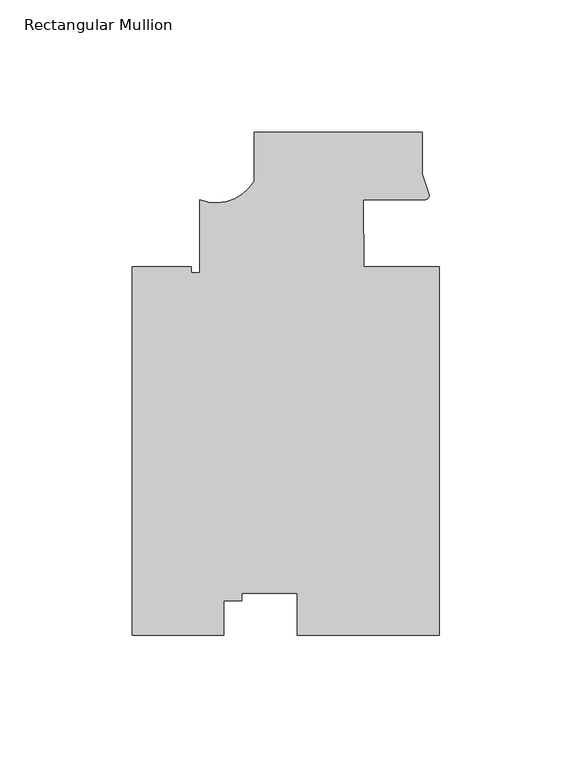
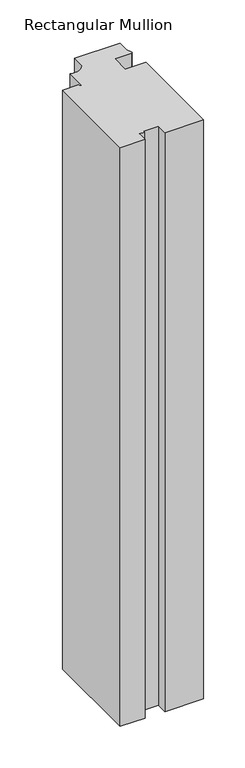
"""IFC4 building model written with IfcOpenShell, lengths in millimetres: member geometry, Rectangular Mullion."""

from ifc_helpers import new_model, si_unit, point, frame, frame_2d, origin, place, context, project, spatial, polyline, circle_curve, trimmed, segment, composite_curve, outline, extrude, source, transform, mapped, element, save


def rectangular_mullion_cfa972f8(model_context):
    return source(origin(), model_context, "Body", "SweptSolid", [
        extrude(outline(composite_curve([segment(polyline([(26.788756, -12.7927841), (26.8074563, -151.9843304), (-26.8075892, -151.9915335), (-26.8097251, -136.0931292), (-47.7563779, -136.0959434), (-47.7559944, -138.9505486), (-54.613994, -138.95147), (-54.6122416, -151.9952691), (-89.1033522, -151.9999029), (-89.1220525, -12.8083567), (-66.8970993, -12.8049183), (-66.8967457, -15.0909182), (-63.7218451, -15.0904917), (-63.7255647, 12.5955025)]), True, "CONTINUOUS"), segment(trimmed(circle_curve(frame_2d((-57.4727252, 28.1294282)), 16.7451739), [point((-63.7255647, 12.5955025))], [point((-43.0655959, 19.5950579))], True, "CARTESIAN"), True, "CONTINUOUS"), segment(polyline([(-43.0655959, 19.5950579), (-43.0680684, 37.9982836), (20.431931, 38.0068148), (20.4340638, 22.1319126), (23.0859853, 14.1956004)]), True, "CONTINUOUS"), segment(trimmed(circle_curve(frame_2d((21.3863522, 14.3083548)), 1.703369), [point((23.0859853, 14.1956004))], [point((21.4694723, 12.607015))], False, "CARTESIAN"), True, "CONTINUOUS"), segment(trimmed(circle_curve(frame_2d((16.1965279, -448.4015783)), 461.0387479), [point((21.4694723, 12.607015))], [point((-1.7896136, 12.2861964))], True, "CARTESIAN"), True, "CONTINUOUS"), segment(polyline([(-1.7896136, 12.2861964), (-1.7862438, -12.7960414), (26.788756, -12.7927841)]), True, "CONTINUOUS")], self_intersect=False)), frame((0.0, 0.0, -850.9), z_axis=(0.0, 0.0, 1.0), x_axis=(1.0, 0.0, 0.0)), (0.0, 0.0, 1.0), 850.9),
    ])


if __name__ == "__main__":
    model = new_model("IFC4")
    model_context = context("Model", 3, world=origin())
    ifc_project = project(units=[si_unit("LENGTHUNIT", "METRE", prefix="MILLI")], contexts=[model_context])
    site = spatial("IfcSite", under=ifc_project)
    building = spatial("IfcBuilding", under=site)
    placement = place(None, origin())
    rectangular_mullion_shape = rectangular_mullion_cfa972f8(model_context)
    element("IfcMember", 1, ObjectType="Rectangular Mullion", at=placement, inside=building, context=model_context, shape_type="MappedRepresentation", body=[
        mapped(rectangular_mullion_shape, transform((0.0, 0.0, 0.0), x_axis=(1.0, 0.0, 0.0), y_axis=(0.0, 1.0, 0.0), z_axis=(0.0, 0.0, 1.0))),
    ])
    save(model, "model.ifc")
